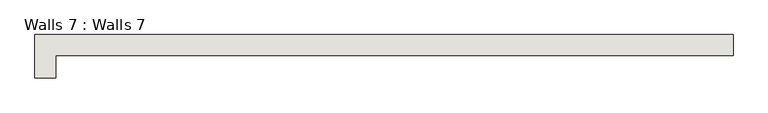
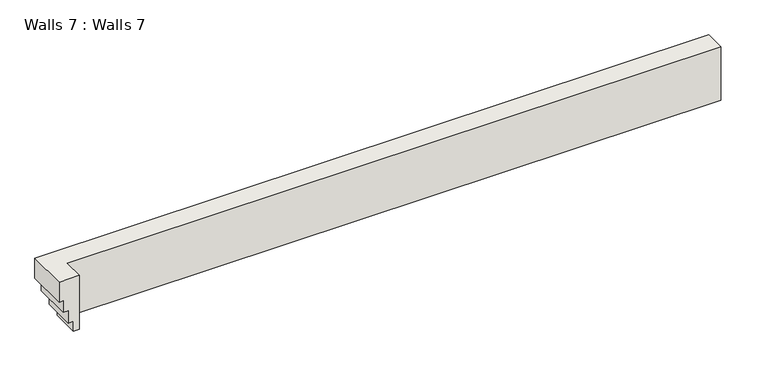
"""IFC4 building model written with IfcOpenShell, lengths in millimetres: wall geometry, Walls 7 : Walls 7."""

from ifc_helpers import new_model, si_unit, origin, place, context, project, spatial, faceted_brep, source, transform, mapped, element, save


def walls_7_walls_7_674539c4(model_context):
    return source(origin(), model_context, "Body", "Brep", [
        faceted_brep([(-12602.1969605, 39406.1245636, -2291.543421), (-12602.1969605, 39279.1245636, -2291.543421), (-12602.1969605, 39279.1245636, -2647.143421), (-12602.1969605, 39317.2245636, -2647.143421), (-12602.1969605, 39317.2245636, -2583.643421), (-12602.1969605, 39348.9745636, -2583.643421), (-12602.1969605, 39348.9745636, -2501.093421), (-12602.1969605, 39380.7245636, -2501.093421), (-12602.1969605, 39380.7245636, -2424.893421), (-12602.1969605, 39406.1245636, -2424.893421), (-16830.787567, 39143.5122578, -2291.543421), (-16830.787567, 39143.5122578, -2424.893421), (-16805.387567, 39143.5122578, -2424.893421), (-16805.387567, 39143.5122578, -2501.093421), (-16773.637567, 39143.5122578, -2501.093421), (-16773.637567, 39143.5122578, -2583.643421), (-16741.887567, 39143.5122578, -2583.643421), (-16741.887567, 39143.5122578, -2647.143421), (-16703.787567, 39143.5122578, -2647.143421), (-16703.787567, 39143.5122578, -2291.543421), (-16830.787567, 39406.1245636, -2291.543421), (-16703.787567, 39279.1245636, -2291.543421), (-16703.787567, 39279.1245636, -2647.143421), (-16741.887567, 39317.2245636, -2647.143421), (-16741.887567, 39317.2245636, -2583.643421), (-16773.637567, 39348.9745636, -2583.643421), (-16773.637567, 39348.9745636, -2501.093421), (-16805.387567, 39380.7245636, -2501.093421), (-16805.387567, 39380.7245636, -2424.893421), (-16830.787567, 39406.1245636, -2424.893421)], [[[0, 1, 2, 3, 4, 5, 6, 7, 8, 9]], [[10, 11, 12, 13, 14, 15, 16, 17, 18, 19]], [[1, 0, 20, 10, 19, 21]], [[2, 1, 21, 22]], [[3, 2, 22, 18, 17, 23]], [[4, 3, 23, 24]], [[5, 4, 24, 16, 15, 25]], [[6, 5, 25, 26]], [[7, 6, 26, 14, 13, 27]], [[8, 7, 27, 28]], [[9, 8, 28, 12, 11, 29]], [[0, 9, 29, 20]], [[22, 21, 19, 18]], [[24, 23, 17, 16]], [[26, 25, 15, 14]], [[28, 27, 13, 12]], [[20, 29, 11, 10]]]),
    ])


if __name__ == "__main__":
    model = new_model("IFC4")
    model_context = context("Model", 3, world=origin())
    ifc_project = project(units=[si_unit("LENGTHUNIT", "METRE", prefix="MILLI")], contexts=[model_context])
    site = spatial("IfcSite", under=ifc_project)
    building = spatial("IfcBuilding", under=site)
    placement = place(None, origin())
    walls_7_walls_7_shape = walls_7_walls_7_674539c4(model_context)
    element("IfcWall", 1, ObjectType="Walls 7 : Walls 7", at=placement, inside=building, context=model_context, shape_type="MappedRepresentation", body=[
        mapped(walls_7_walls_7_shape, transform((0.0, 0.0, 0.0), x_axis=(1.0, 0.0, 0.0), y_axis=(0.0, 1.0, 0.0), z_axis=(0.0, 0.0, 1.0))),
    ])
    save(model, "model.ifc")
